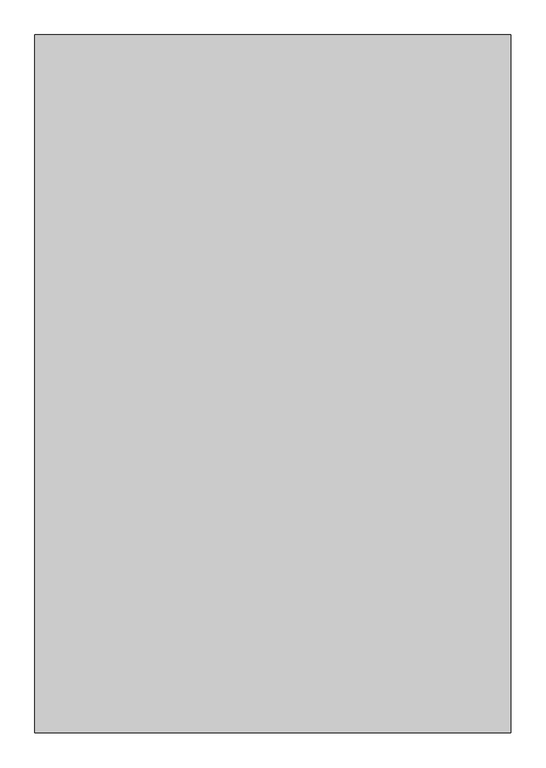
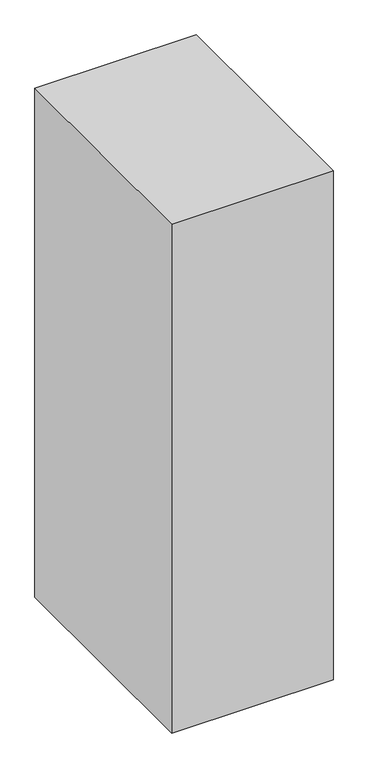
"""IFC4 building model written with IfcOpenShell, lengths in millimetres: proxy geometry."""

from ifc_helpers import new_model, si_unit, frame, origin, place, context, project, spatial, polyline, outline, extrude, source, transform, mapped, element, save


def generic_models_59e45e17(model_context):
    return source(origin(), model_context, "Body", "SweptSolid", [
        extrude(outline(polyline([(1500.0, 1790.3998032), (1500.0, -409.6001968), (0.0, -409.6001968), (0.0, 1790.3998032), (1500.0, 1790.3998032)])), frame((0.0, 0.0, 1500.0), z_axis=(0.0, 0.0, 1.0), x_axis=(1.0, 0.0, 0.0)), (0.0, 0.0, 1.0), 5000.0),
    ])


if __name__ == "__main__":
    model = new_model("IFC4")
    model_context = context("Model", 3, world=origin())
    ifc_project = project(units=[si_unit("LENGTHUNIT", "METRE", prefix="MILLI")], contexts=[model_context])
    site = spatial("IfcSite", under=ifc_project)
    building = spatial("IfcBuilding", under=site)
    placement = place(None, origin())
    generic_models_shape = generic_models_59e45e17(model_context)
    element("IfcBuildingElementProxy", 1, Name="Generic Models", at=placement, inside=building, context=model_context, shape_type="MappedRepresentation", body=[
        mapped(generic_models_shape, transform((0.0, 0.0, 0.0), x_axis=(1.0, 0.0, 0.0), y_axis=(0.0, 1.0, 0.0), z_axis=(0.0, 0.0, 1.0))),
    ])
    save(model, "model.ifc")
